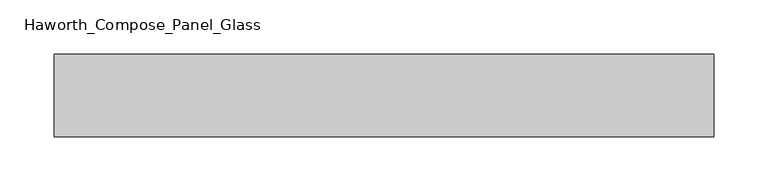
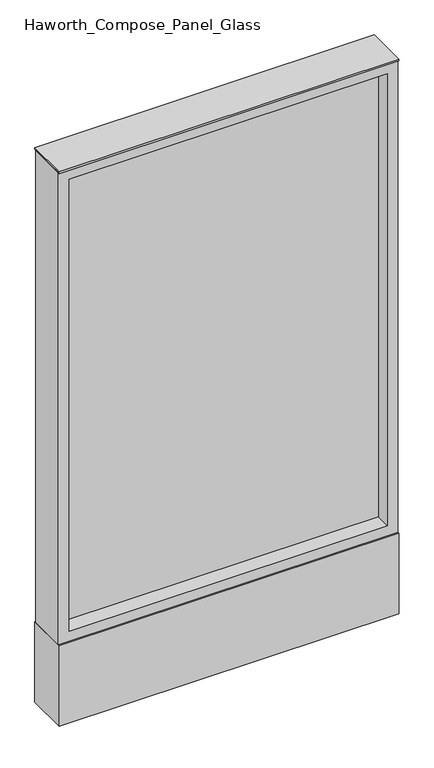
"""IFC4 building model written with IfcOpenShell, lengths in millimetres: furniture geometry, Haworth_Compose_Panel_Glass."""

from ifc_helpers import new_model, si_unit, point, frame, frame_2d, origin, origin_with_axes, place, context, project, spatial, polyline, circle_curve, trimmed, segment, composite_curve, outline, extrude, source, transform, mapped, element, save


def haworth_compose_panel_glass_091ef84d(model_context):
    return source(origin(), model_context, "Body", "SweptSolid", [
        extrude(outline(composite_curve([segment(trimmed(circle_curve(frame_2d((231.0402902, 0.0)), 12.7), [point((218.3402902, 0.0))], [point((243.7402902, 0.0))], False, "CARTESIAN"), True, "CONTINUOUS"), segment(trimmed(circle_curve(frame_2d((231.0402902, 0.0)), 12.7), [point((243.7402902, 0.0))], [point((218.3402902, 0.0))], False, "CARTESIAN"), True, "CONTINUOUS")], self_intersect=False)), origin_with_axes(), (0.0, 0.0, 1.0), 12.7),
        extrude(outline(composite_curve([segment(trimmed(circle_curve(frame_2d((-226.1597098, 0.0)), 12.7), [point((-238.8597098, 0.0))], [point((-213.4597098, 0.0))], False, "CARTESIAN"), True, "CONTINUOUS"), segment(trimmed(circle_curve(frame_2d((-226.1597098, 0.0)), 12.7), [point((-213.4597098, 0.0))], [point((-238.8597098, 0.0))], False, "CARTESIAN"), True, "CONTINUOUS")], self_intersect=False)), origin_with_axes(), (0.0, 0.0, 1.0), 12.7),
        extrude(outline(polyline([(288.1902902, -6.35), (-283.3097098, -6.35), (-283.3097098, 6.35), (288.1902902, 6.35), (288.1902902, -6.35)])), frame((0.0, 0.0, 184.15), z_axis=(0.0, 0.0, 1.0), x_axis=(1.0, 0.0, 0.0)), (0.0, 0.0, 1.0), 857.25),
        extrude(outline(polyline([(1060.45, -302.3597098), (165.1, -302.3597098), (165.1, 307.2402902), (1060.45, 307.2402902), (1060.45, -302.3597098)]), holes=[polyline([(1041.4, 288.1902902), (184.15, 288.1902902), (184.15, -283.3097098), (1041.4, -283.3097098), (1041.4, 288.1902902)])]), frame((0.0, -34.925, 0.0), z_axis=(0.0, 1.0, 0.0), x_axis=(0.0, 0.0, 1.0)), (0.0, 0.0, 1.0), 69.85),
        extrude(outline(polyline([(-302.3597098, 38.1), (307.2402902, 38.1), (307.2402902, -38.1), (-302.3597098, -38.1), (-302.3597098, 38.1)])), frame((0.0, 0.0, 12.7), z_axis=(0.0, 0.0, 1.0), x_axis=(1.0, 0.0, 0.0)), (0.0, 0.0, 1.0), 152.4),
        extrude(outline(polyline([(-302.3597098, -38.1), (-302.3597098, 38.1), (307.2402902, 38.1), (307.2402902, -38.1), (-302.3597098, -38.1)])), frame((0.0, 0.0, 1060.45), z_axis=(0.0, 0.0, 1.0), x_axis=(1.0, 0.0, 0.0)), (0.0, 0.0, 1.0), 3.175),
    ])


if __name__ == "__main__":
    model = new_model("IFC4")
    model_context = context("Model", 3, world=origin())
    ifc_project = project(units=[si_unit("LENGTHUNIT", "METRE", prefix="MILLI")], contexts=[model_context])
    site = spatial("IfcSite", under=ifc_project)
    building = spatial("IfcBuilding", under=site)
    placement = place(None, origin())
    haworth_compose_panel_glass_shape = haworth_compose_panel_glass_091ef84d(model_context)
    element("IfcFurniture", 1, ObjectType="Haworth_Compose_Panel_Glass", at=placement, inside=building, context=model_context, shape_type="MappedRepresentation", body=[
        mapped(haworth_compose_panel_glass_shape, transform((0.0, 0.0, 0.0), x_axis=(1.0, 0.0, 0.0), y_axis=(0.0, 1.0, 0.0), z_axis=(0.0, 0.0, 1.0))),
    ])
    save(model, "model.ifc")
